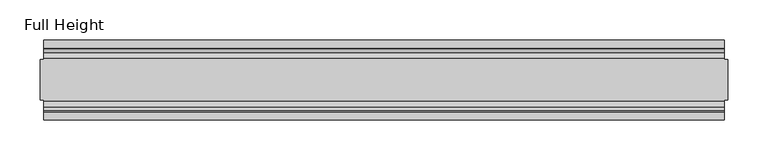
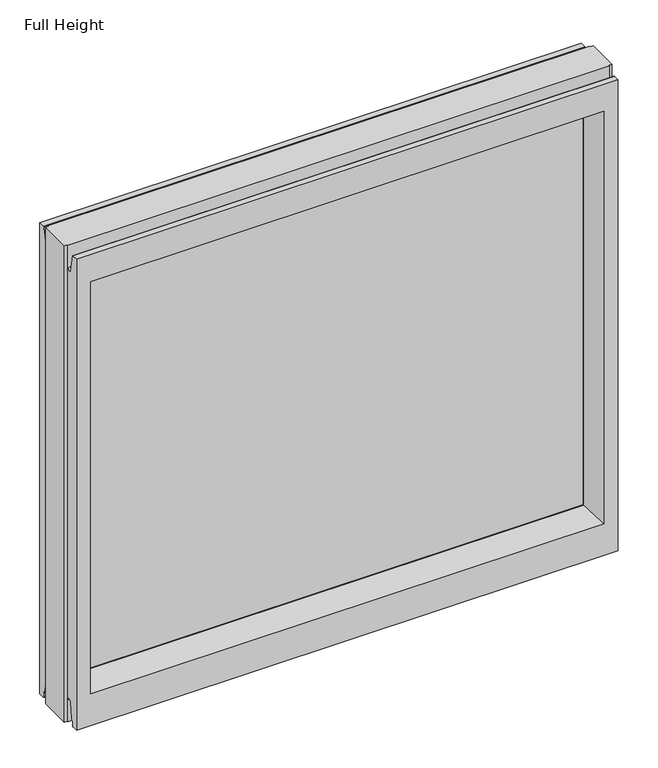
"""IFC4 building model written with IfcOpenShell, lengths in millimetres: plate geometry, Full Height."""

from ifc_helpers import new_model, si_unit, frame, origin, place, context, project, spatial, polyline, circle_curve, outline, extrude, source, transform, mapped, element, save
from ifc_brep_helpers import plane_surface, cylinder_surface, revolved_surface, advanced_brep


def full_height_32e4eb27(model_context):
    return source(origin(), model_context, "Body", "SolidModel", [
        advanced_brep(
        [(429.4183685, -25.146, 789.94), (429.4183685, -25.146, 0.0), (429.4183685, 25.146, 0.0), (429.4183685, 25.146, 789.94), (-429.4183685, 25.146, 789.94), (-429.4183685, 25.146, 0.0), (-429.4183685, -25.146, 0.0), (-429.4183685, -25.146, 789.94), (424.8463685, 25.146, 789.94), (424.8463685, 26.67, 789.94), (-424.8463685, 26.67, 789.94), (-424.8463685, 25.146, 789.94), (-424.8463685, -25.146, 789.94), (-424.8463685, -26.67, 789.94), (424.8463685, -26.67, 789.94), (424.8463685, -25.146, 789.94), (424.8463685, -25.146, 0.0), (424.8463685, -26.67, 0.0), (-424.8463685, -26.67, 0.0), (-424.8463685, -25.146, 0.0), (-424.8463685, 25.146, 0.0), (-424.8463685, 26.67, 0.0), (424.8463685, 26.67, 0.0), (424.8463685, 25.146, 0.0), (-424.8463685, -40.7946686, 0.0), (424.8463685, -40.7946686, 0.0), (424.8463685, -50.0, 0.0), (-424.8463685, -50.0, 0.0), (424.8463685, -26.67, 36.4542208), (-424.8463685, -26.67, 36.4542208), (-424.8463685, 26.67, 752.729), (-424.8463685, 34.2321175, 752.0674004), (-424.8463685, 39.1867152, 780.1663199), (-424.8463685, 39.9371387, 780.796), (-424.8463685, 50.0, 780.796), (-424.8463685, 50.0, 0.0), (-424.8463685, 40.7946686, 0.0), (-424.8463685, 39.5246686, 1.27), (-424.8463685, 39.5246686, 7.9074686), (-424.8463685, 39.043018, 8.6755976), (-424.8463685, 36.9464913, 11.6561909), (-424.8463685, 34.2686707, 36.8568054), (-424.8463685, 26.67, 36.4542208), (-424.8463685, -50.0, 780.796), (-424.8463685, -39.9371387, 780.796), (-424.8463685, -39.1867152, 780.1663199), (-424.8463685, -34.2321175, 752.0674004), (-424.8463685, -26.67, 752.729), (-424.8463685, -34.2686707, 36.8568054), (-424.8463685, -36.9464913, 11.6561909), (-424.8463685, -39.043018, 8.6755976), (-424.8463685, -39.5246686, 7.9074686), (-424.8463685, -39.5246686, 1.27), (424.8463685, 50.0, 780.796), (424.8463685, 50.0, 0.0), (-402.7483685, 50.0, 736.219), (-402.7483685, 50.0, 52.8372208), (402.7483685, 50.0, 52.8372208), (402.7483685, 50.0, 736.219), (424.8463685, -50.0, 780.796), (-402.7483685, -50.0, 52.8372208), (-402.7483685, -50.0, 736.219), (402.7483685, -50.0, 736.219), (402.7483685, -50.0, 52.8372208), (-396.7793685, 6.1006519, 730.25), (-396.7793685, 6.1006519, 58.8062208), (-396.7793685, -6.1006519, 58.8062208), (-396.7793685, -6.1006519, 730.25), (396.7793685, -6.1006519, 730.25), (396.7793685, -6.1006519, 58.8062208), (396.7793685, 6.1006519, 730.25), (396.7793685, 6.1006519, 58.8062208), (424.8463685, -39.5246686, 1.27), (424.8463685, -39.5246686, 7.9074686), (424.8463685, -39.043018, 8.6755976), (424.8463685, -36.9464913, 11.6561909), (424.8463685, -34.2686707, 36.8568054), (424.8463685, -26.67, 752.729), (424.8463685, -34.2321175, 752.0674004), (424.8463685, -39.1867152, 780.1663199), (424.8463685, -39.9371387, 780.796), (424.8463685, 39.9371387, 780.796), (424.8463685, 39.1867152, 780.1663199), (424.8463685, 34.2321175, 752.0674004), (424.8463685, 26.67, 752.729), (424.8463685, 26.67, 36.4542208), (424.8463685, 34.2686707, 36.8568054), (424.8463685, 36.9464913, 11.6561909), (424.8463685, 39.043018, 8.6755976), (424.8463685, 39.5246686, 7.9074686), (424.8463685, 39.5246686, 1.27), (424.8463685, 40.7946686, 0.0)],
        [
            (0, 1),
            (1, 2),
            (2, 3),
            (3, 0),
            (4, 5),
            (5, 6),
            (6, 7),
            (7, 4),
            (3, 8),
            (8, 9),
            (9, 10),
            (10, 11),
            (11, 4),
            (7, 12),
            (12, 13),
            (13, 14),
            (14, 15),
            (15, 0),
            (1, 16),
            (16, 17),
            (17, 18),
            (18, 19),
            (19, 6),
            (5, 20),
            (20, 21),
            (21, 22),
            (22, 23),
            (23, 2),
            (15, 16),
            (23, 8),
            (11, 20),
            (19, 12),
            (24, 25),
            (25, 26),
            (26, 27),
            (27, 24),
            (17, 28),
            (28, 29),
            (29, 18),
            (10, 30),
            (30, 31, circle_curve(frame((-424.8463685, 30.48, 752.729), z_axis=(1.0, 0.0, 0.0), x_axis=(0.0, 1.0, 0.0)), 3.81)),
            (31, 32),
            (32, 33, circle_curve(frame((-424.8463685, 39.9371387, 780.034), z_axis=(-1.0, 0.0, 0.0), x_axis=(0.0, 1.0, 0.0)), 0.762)),
            (33, 34),
            (34, 35),
            (35, 36),
            (36, 37, circle_curve(frame((-424.8463685, 40.7946686, 1.27), z_axis=(-1.0, 0.0, 0.0), x_axis=(0.0, 1.0, 0.0)), 1.27)),
            (37, 38),
            (38, 39, circle_curve(frame((-424.8463685, 38.671343, 7.9074686), z_axis=(1.0, 0.0, 0.0), x_axis=(0.0, 1.0, 0.0)), 0.8533256)),
            (39, 40, circle_curve(frame((-424.8463685, 40.6770502, 12.0526006), z_axis=(-1.0, 0.0, 0.0), x_axis=(0.0, 1.0, 0.0)), 3.751561)),
            (40, 41),
            (41, 42, circle_curve(frame((-424.8463685, 30.48, 36.4542208), z_axis=(1.0, 0.0, 0.0), x_axis=(0.0, 1.0, 0.0)), 3.81)),
            (42, 21),
            (27, 43),
            (43, 44),
            (44, 45, circle_curve(frame((-424.8463685, -39.9371387, 780.034), z_axis=(-1.0, 0.0, 0.0), x_axis=(0.0, 1.0, 0.0)), 0.762)),
            (45, 46),
            (46, 47, circle_curve(frame((-424.8463685, -30.48, 752.729), z_axis=(1.0, 0.0, 0.0), x_axis=(0.0, 1.0, 0.0)), 3.81)),
            (47, 13),
            (29, 48, circle_curve(frame((-424.8463685, -30.48, 36.4542208), z_axis=(1.0, 0.0, 0.0), x_axis=(0.0, 1.0, 0.0)), 3.81)),
            (48, 49),
            (49, 50, circle_curve(frame((-424.8463685, -40.6770502, 12.0526006), z_axis=(-1.0, 0.0, 0.0), x_axis=(0.0, 1.0, 0.0)), 3.751561)),
            (50, 51, circle_curve(frame((-424.8463685, -38.671343, 7.9074686), z_axis=(1.0, 0.0, 0.0), x_axis=(0.0, 1.0, 0.0)), 0.8533256)),
            (51, 52),
            (52, 24, circle_curve(frame((-424.8463685, -40.7946686, 1.27), z_axis=(-1.0, 0.0, 0.0), x_axis=(0.0, 1.0, 0.0)), 1.27)),
            (34, 53),
            (53, 54),
            (54, 35),
            (55, 56),
            (56, 57),
            (57, 58),
            (58, 55),
            (26, 59),
            (59, 43),
            (60, 61),
            (61, 62),
            (62, 63),
            (63, 60),
            (55, 64),
            (64, 65),
            (65, 56),
            (60, 66),
            (66, 67),
            (67, 61),
            (62, 68),
            (68, 69),
            (69, 63),
            (70, 58),
            (57, 71),
            (71, 70),
            (25, 72, circle_curve(frame((424.8463685, -40.7946686, 1.27), z_axis=(1.0, 0.0, 0.0), x_axis=(0.0, 1.0, 0.0)), 1.27)),
            (72, 73),
            (73, 74, circle_curve(frame((424.8463685, -38.671343, 7.9074686), z_axis=(-1.0, 0.0, 0.0), x_axis=(0.0, 1.0, 0.0)), 0.8533256)),
            (74, 75, circle_curve(frame((424.8463685, -40.6770502, 12.0526006), z_axis=(1.0, 0.0, 0.0), x_axis=(0.0, 1.0, 0.0)), 3.751561)),
            (75, 76),
            (76, 28, circle_curve(frame((424.8463685, -30.48, 36.4542208), z_axis=(-1.0, 0.0, 0.0), x_axis=(0.0, 1.0, 0.0)), 3.81)),
            (14, 77),
            (77, 78, circle_curve(frame((424.8463685, -30.48, 752.729), z_axis=(-1.0, 0.0, 0.0), x_axis=(0.0, 1.0, 0.0)), 3.81)),
            (78, 79),
            (79, 80, circle_curve(frame((424.8463685, -39.9371387, 780.034), z_axis=(1.0, 0.0, 0.0), x_axis=(0.0, 1.0, 0.0)), 0.762)),
            (80, 59),
            (53, 81),
            (81, 82, circle_curve(frame((424.8463685, 39.9371387, 780.034), z_axis=(1.0, 0.0, 0.0), x_axis=(0.0, 1.0, 0.0)), 0.762)),
            (82, 83),
            (83, 84, circle_curve(frame((424.8463685, 30.48, 752.729), z_axis=(-1.0, 0.0, 0.0), x_axis=(0.0, 1.0, 0.0)), 3.81)),
            (84, 9),
            (22, 85),
            (85, 86, circle_curve(frame((424.8463685, 30.48, 36.4542208), z_axis=(-1.0, 0.0, 0.0), x_axis=(0.0, 1.0, 0.0)), 3.81)),
            (86, 87),
            (87, 88, circle_curve(frame((424.8463685, 40.6770502, 12.0526006), z_axis=(1.0, 0.0, 0.0), x_axis=(0.0, 1.0, 0.0)), 3.751561)),
            (88, 89, circle_curve(frame((424.8463685, 38.671343, 7.9074686), z_axis=(-1.0, 0.0, 0.0), x_axis=(0.0, 1.0, 0.0)), 0.8533256)),
            (89, 90),
            (90, 91, circle_curve(frame((424.8463685, 40.7946686, 1.27), z_axis=(1.0, 0.0, 0.0), x_axis=(0.0, 1.0, 0.0)), 1.27)),
            (91, 54),
            (52, 72),
            (51, 73),
            (50, 74),
            (49, 75),
            (48, 76),
            (42, 85),
            (40, 87),
            (86, 41),
            (39, 88),
            (38, 89),
            (37, 90),
            (36, 91),
            (65, 71),
            (69, 66),
            (47, 77),
            (46, 78),
            (45, 79),
            (44, 80),
            (67, 68),
            (70, 64),
            (33, 81),
            (32, 82),
            (31, 83),
            (30, 84),
            (70, 68),
            (67, 64),
            (65, 66),
            (69, 71),
        ],
        [
            plane_surface(frame((429.4183685, 25.146, 789.94), z_axis=(1.0, 0.0, 0.0), x_axis=(0.0, 0.0, -1.0))),
            plane_surface(frame((-429.4183685, -25.146, 789.94), z_axis=(-1.0, 0.0, 0.0), x_axis=(0.0, 0.0, -1.0))),
            plane_surface(frame((424.8463685, -25.146, 789.94), z_axis=(0.0, 0.0, 1.0), x_axis=(-1.0, 0.0, 0.0))),
            plane_surface(frame((424.8463685, -25.146, 0.0), z_axis=(0.0, 0.0, -1.0), x_axis=(1.0, 0.0, 0.0))),
            plane_surface(frame((429.4183685, -25.146, 789.94), z_axis=(0.0, -1.0, 0.0), x_axis=(0.0, 0.0, -1.0))),
            plane_surface(frame((424.8463685, 25.146, 789.94), z_axis=(0.0, 1.0, 0.0), x_axis=(0.0, 0.0, -1.0))),
            plane_surface(frame((-429.4183685, 25.146, 789.94), z_axis=(0.0, 1.0, 0.0), x_axis=(0.0, 0.0, -1.0))),
            plane_surface(frame((-424.8463685, -25.146, 789.94), z_axis=(0.0, -1.0, 0.0), x_axis=(0.0, 0.0, -1.0))),
            plane_surface(frame((-424.8463685, -50.0, 0.0), z_axis=(0.0, 0.0, -1.0), x_axis=(1.0, 0.0, 0.0))),
            plane_surface(frame((-424.8463685, -26.67, 36.4542208), z_axis=(0.0, -1.0, 0.0), x_axis=(1.0, 0.0, 0.0))),
            plane_surface(frame((-424.8463685, -50.0, 748.0046), z_axis=(-1.0, 0.0, 0.0), x_axis=(0.0, 0.0, -1.0))),
            plane_surface(frame((-424.8463685, 50.0, 748.0046), z_axis=(0.0, 1.0, 0.0), x_axis=(0.0, 0.0, -1.0))),
            plane_surface(frame((-402.7483685, -50.0, 748.0046), z_axis=(0.0, -1.0, 0.0), x_axis=(0.0, 0.0, -1.0))),
            plane_surface(frame((-402.7483685, 50.0, 748.0046), z_axis=(0.9908822943533606, 0.13473039277393942, 0.0), x_axis=(0.0, 0.0, -1.0))),
            plane_surface(frame((-396.7793685, -6.1006519, 748.0046), z_axis=(0.9908822943533612, -0.13473039277393595, 0.0), x_axis=(0.0, 0.0, -1.0))),
            plane_surface(frame((402.7483685, -50.0, 748.0046), z_axis=(-0.9908822943533605, -0.1347303927739403, 0.0), x_axis=(0.0, 0.0, -1.0))),
            plane_surface(frame((396.7793685, 6.1006519, 748.0046), z_axis=(-0.9908822943533563, 0.13473039277397156, 0.0), x_axis=(0.0, 0.0, -1.0))),
            plane_surface(frame((424.8463685, 50.0, 748.0046), z_axis=(1.0, 0.0, 0.0), x_axis=(0.0, 0.0, -1.0))),
            cylinder_surface(frame((424.8463685, -40.7946686, 1.27), z_axis=(-1.0, 0.0, 0.0), x_axis=(0.0, 1.0, 0.0)), 1.27),
            plane_surface(frame((-424.8463685, -39.5246686, 1.27), z_axis=(0.0, 1.0, 0.0), x_axis=(1.0, 0.0, 0.0))),
            revolved_surface(polyline([(424.8463685, -37.8180174, 7.9074686), (-424.8463685, -37.8180174, 7.9074686)]), (424.8463685, -38.671343, 7.9074686), (1.0, 0.0, 0.0)),
            cylinder_surface(frame((424.8463685, -40.6770502, 12.0526006), z_axis=(-1.0, 0.0, 0.0), x_axis=(0.0, 1.0, 0.0)), 3.751561),
            plane_surface(frame((-424.8463685, -36.9464913, 11.6561909), z_axis=(0.0, 0.9944017560866673, -0.10566526151840337), x_axis=(1.0, 0.0, 0.0))),
            plane_surface(frame((-424.8463685, 26.67, 0.0), z_axis=(0.0, 1.0, 0.0), x_axis=(1.0, 0.0, 0.0))),
            plane_surface(frame((-424.8463685, 34.2686707, 36.8568054), z_axis=(0.0, -0.9944017560866222, -0.10566526151882621), x_axis=(1.0, 0.0, 0.0))),
            cylinder_surface(frame((424.8463685, 40.6770502, 12.0526006), z_axis=(-1.0, 0.0, 0.0), x_axis=(0.0, 1.0, 0.0)), 3.751561),
            revolved_surface(polyline([(424.8463685, 39.5246686, 7.9074686), (-424.8463685, 39.5246686, 7.9074686)]), (424.8463685, 38.671343, 7.9074686), (1.0, 0.0, 0.0)),
            plane_surface(frame((-424.8463685, 39.5246686, 7.9074686), z_axis=(0.0, -1.0, 0.0), x_axis=(1.0, 0.0, 0.0))),
            cylinder_surface(frame((424.8463685, 40.7946686, 1.27), z_axis=(-1.0, 0.0, 0.0), x_axis=(0.0, 1.0, 0.0)), 1.27),
            plane_surface(frame((-424.8463685, 40.7946686, 0.0), z_axis=(0.0, 0.0, -1.0), x_axis=(1.0, 0.0, 0.0))),
            plane_surface(frame((-424.8463685, 50.0, 52.8372208), z_axis=(0.0, 0.13473039277394736, 0.9908822943533596), x_axis=(1.0, 0.0, 0.0))),
            plane_surface(frame((-424.8463685, -6.1006519, 58.8062208), z_axis=(0.0, -0.13473039277399934, 0.9908822943533526), x_axis=(1.0, 0.0, 0.0))),
            revolved_surface(polyline([(424.8463685, -26.67, 36.4542208), (-424.8463685, -26.67, 36.4542208)]), (424.8463685, -30.48, 36.4542208), (1.0, 0.0, 0.0)),
            revolved_surface(polyline([(424.8463685, 34.29, 36.4542208), (-424.8463685, 34.29, 36.4542208)]), (424.8463685, 30.48, 36.4542208), (1.0, 0.0, 0.0)),
            plane_surface(frame((-424.8463685, -26.67, 789.94), z_axis=(0.0, -1.0, 0.0), x_axis=(1.0, 0.0, 0.0))),
            revolved_surface(polyline([(424.8463685, -26.67, 752.729), (-424.8463685, -26.67, 752.729)]), (-429.4183685, -30.48, 752.729), (1.0, 0.0, 0.0)),
            plane_surface(frame((-424.8463685, -34.2321175, 752.0674004), z_axis=(0.0, 0.9848077530113104, 0.17364817767202162), x_axis=(1.0, 0.0, 0.0))),
            cylinder_surface(frame((-429.4183685, -39.9371387, 780.034), z_axis=(-1.0, 0.0, 0.0), x_axis=(0.0, 1.0, 0.0)), 0.762),
            plane_surface(frame((-424.8463685, -39.9371387, 780.796), z_axis=(0.0, 0.0, 1.0), x_axis=(1.0, 0.0, 0.0))),
            plane_surface(frame((-424.8463685, -50.0, 736.219), z_axis=(0.0, -0.1347303927734858, -0.9908822943534225), x_axis=(1.0, 0.0, 0.0))),
            plane_surface(frame((-424.8463685, 6.1006519, 730.25), z_axis=(0.0, 0.13473039277251256, -0.9908822943535547), x_axis=(1.0, 0.0, 0.0))),
            plane_surface(frame((-424.8463685, 50.0, 780.796), z_axis=(0.0, 0.0, 1.0), x_axis=(1.0, 0.0, 0.0))),
            cylinder_surface(frame((-429.4183685, 39.9371387, 780.034), z_axis=(-1.0, 0.0, 0.0), x_axis=(0.0, 1.0, 0.0)), 0.762),
            plane_surface(frame((-424.8463685, 39.1867152, 780.1663199), z_axis=(0.0, -0.9848077530103844, 0.17364817767727297), x_axis=(1.0, 0.0, 0.0))),
            revolved_surface(polyline([(424.8463685, 34.29, 752.729), (-424.8463685, 34.29, 752.729)]), (-429.4183685, 30.48, 752.729), (1.0, 0.0, 0.0)),
            plane_surface(frame((-424.8463685, 26.67, 752.729), z_axis=(0.0, 1.0, 0.0), x_axis=(1.0, 0.0, 0.0))),
            plane_surface(frame((-424.8463685, -6.1006519, 730.25), z_axis=(0.0, 0.0, -1.0), x_axis=(1.0, 0.0, 0.0))),
            plane_surface(frame((-424.8463685, 6.1006519, 58.8062208), z_axis=(0.0, 0.0, 1.0), x_axis=(1.0, 0.0, 0.0))),
            plane_surface(frame((-396.7793685, 6.1006519, 748.0046), z_axis=(1.0, 0.0, 0.0), x_axis=(0.0, 0.0, -1.0))),
            plane_surface(frame((396.7793685, -6.1006519, 748.0046), z_axis=(-1.0, 0.0, 0.0), x_axis=(0.0, 0.0, -1.0))),
        ],
        [
            (0, [[1, 2, 3, 4]]),
            (1, [[5, 6, 7, 8]]),
            (2, [[-4, 9, 10, 11, 12, 13, -8, 14, 15, 16, 17, 18]]),
            (3, [[19, 20, 21, 22, 23, -6, 24, 25, 26, 27, 28, -2]]),
            (4, [[-19, -1, -18, 29]]),
            (5, [[-3, -28, 30, -9]]),
            (6, [[-24, -5, -13, 31]]),
            (7, [[-7, -23, 32, -14]]),
            (8, [[33, 34, 35, 36]]),
            (9, [[-21, 37, 38, 39]]),
            (10, [[-31, -12, 40, 41, 42, 43, 44, 45, 46, 47, 48, 49, 50, 51, 52, 53, -25]]),
            (10, [[54, 55, 56, 57, 58, 59, -15, -32, -22, -39, 60, 61, 62, 63, 64, 65, -36]]),
            (11, [[66, 67, 68, -45], [69, 70, 71, 72]]),
            (12, [[-35, 73, 74, -54], [75, 76, 77, 78]]),
            (13, [[79, 80, 81, -69]]),
            (14, [[82, 83, 84, -75]]),
            (15, [[85, 86, 87, -77]]),
            (16, [[88, -71, 89, 90]]),
            (17, [[-34, 91, 92, 93, 94, 95, 96, -37, -20, -29, -17, 97, 98, 99, 100, 101, -73]]),
            (17, [[102, 103, 104, 105, 106, -10, -30, -27, 107, 108, 109, 110, 111, 112, 113, 114, -67]]),
            (18, [[115, -91, -33, -65]]),
            (19, [[116, -92, -115, -64]]),
            (20, [[117, -93, -116, -63]]),
            (21, [[118, -94, -117, -62]]),
            (22, [[119, -95, -118, -61]]),
            (23, [[120, -107, -26, -53]]),
            (24, [[121, -109, 122, -51]]),
            (25, [[123, -110, -121, -50]]),
            (26, [[124, -111, -123, -49]]),
            (27, [[125, -112, -124, -48]]),
            (28, [[126, -113, -125, -47]]),
            (29, [[-68, -114, -126, -46]]),
            (30, [[-81, 127, -89, -70]]),
            (31, [[-87, 128, -82, -78]]),
            (32, [[-38, -96, -119, -60]]),
            (33, [[-122, -108, -120, -52]]),
            (34, [[129, -97, -16, -59]]),
            (35, [[130, -98, -129, -58]]),
            (36, [[131, -99, -130, -57]]),
            (37, [[132, -100, -131, -56]]),
            (38, [[-74, -101, -132, -55]]),
            (39, [[-84, 133, -85, -76]]),
            (40, [[-88, 134, -79, -72]]),
            (41, [[135, -102, -66, -44]]),
            (42, [[136, -103, -135, -43]]),
            (43, [[137, -104, -136, -42]]),
            (44, [[138, -105, -137, -41]]),
            (45, [[-11, -106, -138, -40]]),
            (46, [[139, -133, 140, -134]]),
            (47, [[141, -128, 142, -127]]),
            (48, [[-141, -80, -140, -83]]),
            (49, [[-142, -86, -139, -90]]),
        ],
    ),
        extrude(outline(polyline([(-396.7793685, -4.826), (-396.7793685, 4.826), (396.7793685, 4.826), (396.7793685, -4.826), (-396.7793685, -4.826)])), frame((0.0, 0.0, 58.8062208), z_axis=(0.0, 0.0, 1.0), x_axis=(1.0, 0.0, 0.0)), (0.0, 0.0, 1.0), 671.4437792),
    ])


if __name__ == "__main__":
    model = new_model("IFC4")
    model_context = context("Model", 3, world=origin())
    ifc_project = project(units=[si_unit("LENGTHUNIT", "METRE", prefix="MILLI")], contexts=[model_context])
    site = spatial("IfcSite", under=ifc_project)
    building = spatial("IfcBuilding", under=site)
    placement = place(None, origin())
    full_height_shape = full_height_32e4eb27(model_context)
    element("IfcPlate", 1, ObjectType="Full Height", at=placement, inside=building, context=model_context, shape_type="MappedRepresentation", body=[
        mapped(full_height_shape, transform((0.0, 0.0, 0.0), x_axis=(1.0, 0.0, 0.0), y_axis=(0.0, 1.0, 0.0), z_axis=(0.0, 0.0, 1.0))),
    ])
    save(model, "model.ifc")
